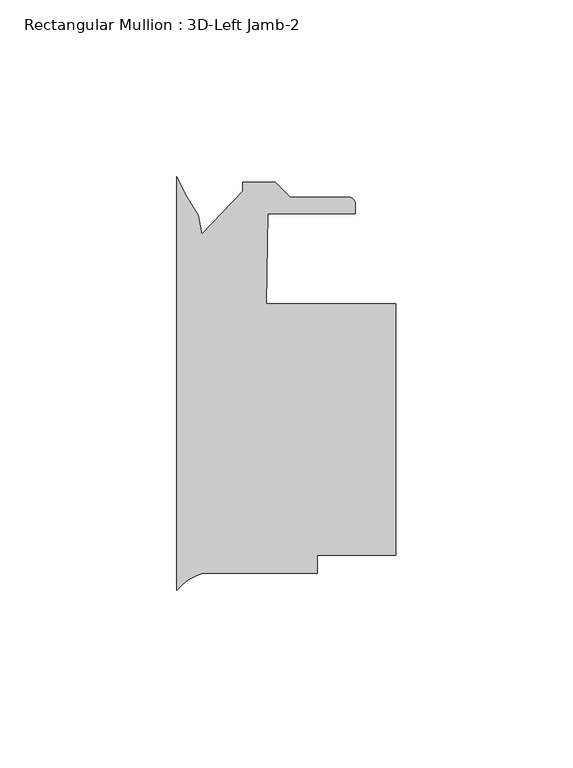
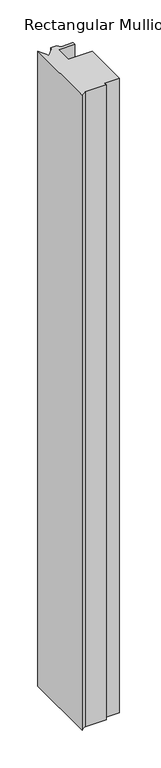
"""IFC4 building model written with IfcOpenShell, lengths in millimetres: member geometry, Rectangular Mullion : 3D-Left Jamb-2."""

from ifc_helpers import new_model, si_unit, point, frame, frame_2d, origin, place, context, project, spatial, polyline, circle_curve, trimmed, segment, composite_curve, outline, extrude, source, transform, mapped, element, save


def rectangular_mullion_3d_left_jamb_2_0ca2f710(model_context):
    return source(origin(), model_context, "Body", "SweptSolid", [
        extrude(outline(composite_curve([segment(trimmed(circle_curve(frame_2d((51.6557302, 72.0961057)), 56.1155216), [point((0.0, 50.172664))], [point((6.0929444, 39.3396665))], True, "CARTESIAN"), True, "CONTINUOUS"), segment(polyline([(6.0929444, 39.3396665), (7.0515961, 33.9028827), (18.6761495, 46.1086639), (18.6761495, 48.6486639), (27.7764417, 48.6486639), (32.0436417, 44.3814639), (48.6481495, 44.3814639)]), True, "CONTINUOUS"), segment(trimmed(circle_curve(frame_2d((48.6481495, 42.6034639)), 1.778), [point((48.6481495, 44.3814639))], [point((50.4261495, 42.6034639))], False, "CARTESIAN"), True, "CONTINUOUS"), segment(polyline([(50.4261495, 42.6034639), (50.4261495, 39.6824637), (25.7460305, 39.6824637), (25.3026718, 14.2824639), (61.9124999, 14.2824639), (61.9124999, -56.8375361), (39.6875, -56.8375361), (39.6875, -61.9175361), (7.2925126, -61.9175361)]), True, "CONTINUOUS"), segment(trimmed(circle_curve(frame_2d((10.8196816, -75.1483498)), 13.6928942), [point((7.2925126, -61.9175361))], [point((0.0, -66.7561009))], True, "CARTESIAN"), True, "CONTINUOUS"), segment(polyline([(0.0, -66.7561009), (0.0, 50.172664)]), True, "CONTINUOUS")], self_intersect=False)), frame((0.0, 0.0, -1022.35), z_axis=(0.0, 0.0, 1.0), x_axis=(1.0, 0.0, 0.0)), (0.0, 0.0, 1.0), 1022.35),
    ])


if __name__ == "__main__":
    model = new_model("IFC4")
    model_context = context("Model", 3, world=origin())
    ifc_project = project(units=[si_unit("LENGTHUNIT", "METRE", prefix="MILLI")], contexts=[model_context])
    site = spatial("IfcSite", under=ifc_project)
    building = spatial("IfcBuilding", under=site)
    placement = place(None, origin())
    rectangular_mullion_3d_left_jamb_2_shape = rectangular_mullion_3d_left_jamb_2_0ca2f710(model_context)
    element("IfcMember", 1, ObjectType="Rectangular Mullion : 3D-Left Jamb-2", at=placement, inside=building, context=model_context, shape_type="MappedRepresentation", body=[
        mapped(rectangular_mullion_3d_left_jamb_2_shape, transform((0.0, 0.0, 0.0), x_axis=(1.0, 0.0, 0.0), y_axis=(0.0, 1.0, 0.0), z_axis=(0.0, 0.0, 1.0))),
    ])
    save(model, "model.ifc")
